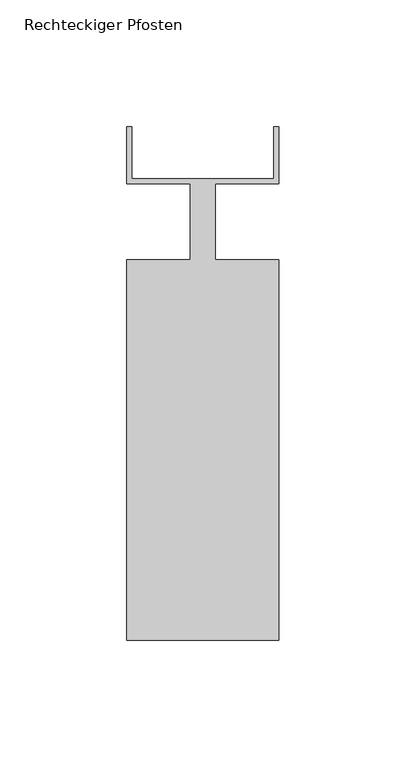
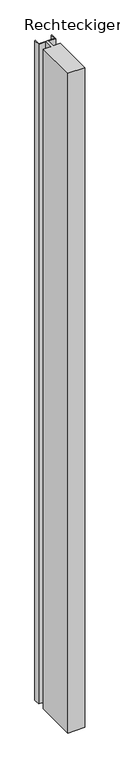
"""IFC4 building model written with IfcOpenShell, lengths in millimetres: member geometry, Rechteckiger Pfosten."""

from ifc_helpers import new_model, si_unit, frame, origin, place, context, project, spatial, polyline, outline, extrude, source, transform, mapped, element, save


def rechteckiger_pfosten_0b8c1e77(model_context):
    return source(origin(), model_context, "Body", "SweptSolid", [
        extrude(outline(polyline([(-2.0, 37.5), (0.0, 37.5), (0.0, 15.0), (-25.0, 15.0), (-25.0, -15.0), (0.0, -15.0), (0.0, -165.0), (-60.0, -165.0), (-60.0, -15.0), (-35.0, -15.0), (-35.0, 15.0), (-60.0, 15.0), (-60.0, 37.5), (-58.0, 37.5), (-58.0, 17.0), (-2.0, 17.0), (-2.0, 37.5)])), frame((0.0, 0.0, -2469.9999997), z_axis=(0.0, 0.0, 1.0), x_axis=(1.0, 0.0, 0.0)), (0.0, 0.0, 1.0), 2469.9999997),
    ])


if __name__ == "__main__":
    model = new_model("IFC4")
    model_context = context("Model", 3, world=origin())
    ifc_project = project(units=[si_unit("LENGTHUNIT", "METRE", prefix="MILLI")], contexts=[model_context])
    site = spatial("IfcSite", under=ifc_project)
    building = spatial("IfcBuilding", under=site)
    placement = place(None, origin())
    rechteckiger_pfosten_shape = rechteckiger_pfosten_0b8c1e77(model_context)
    element("IfcMember", 1, ObjectType="Rechteckiger Pfosten", at=placement, inside=building, context=model_context, shape_type="MappedRepresentation", body=[
        mapped(rechteckiger_pfosten_shape, transform((0.0, 0.0, 0.0), x_axis=(1.0, 0.0, 0.0), y_axis=(0.0, 1.0, 0.0), z_axis=(0.0, 0.0, 1.0))),
    ])
    save(model, "model.ifc")
